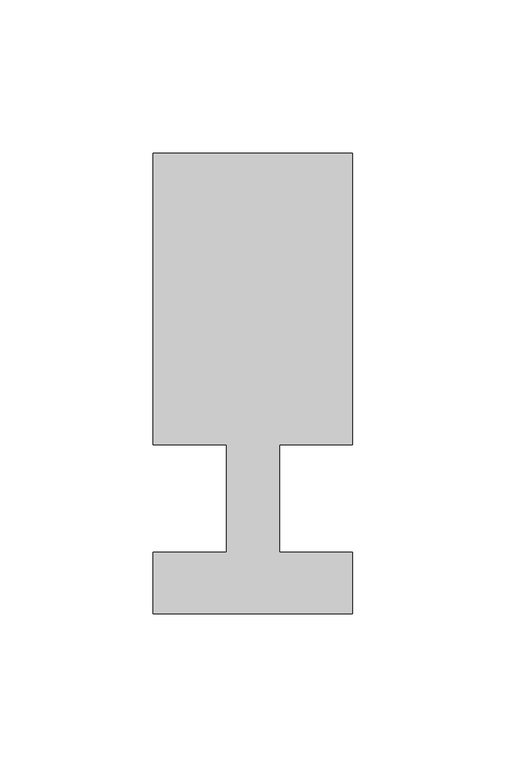
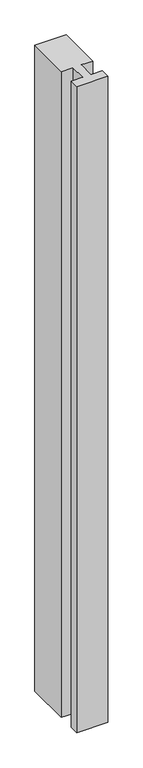
"""IFC4 building model written with IfcOpenShell, lengths in millimetres: member geometry."""

from ifc_helpers import new_model, si_unit, frame, origin, place, context, project, spatial, polyline, outline, extrude, source, transform, mapped, element, save


def member_4363dc0a(model_context):
    return source(origin(), model_context, "Body", "SweptSolid", [
        extrude(outline(polyline([(-65.0, -37.0), (-65.0, -17.0), (-41.1875, -17.0), (-41.1875, 18.0), (-65.0, 18.0), (-65.0, 113.0), (0.0, 113.0), (0.0, 18.0), (-23.8125, 18.0), (-23.8125, -17.0), (0.0, -17.0), (0.0, -37.0), (-65.0, -37.0)])), frame((0.0, 0.0, -1418.7435565), z_axis=(0.0, 0.0, 1.0), x_axis=(1.0, 0.0, 0.0)), (0.0, 0.0, 1.0), 1418.7435565),
    ])


if __name__ == "__main__":
    model = new_model("IFC4")
    model_context = context("Model", 3, world=origin())
    ifc_project = project(units=[si_unit("LENGTHUNIT", "METRE", prefix="MILLI")], contexts=[model_context])
    site = spatial("IfcSite", under=ifc_project)
    building = spatial("IfcBuilding", under=site)
    placement = place(None, origin())
    member_shape = member_4363dc0a(model_context)
    element("IfcMember", 1, at=placement, inside=building, context=model_context, shape_type="MappedRepresentation", body=[
        mapped(member_shape, transform((0.0, 0.0, 0.0), x_axis=(1.0, 0.0, 0.0), y_axis=(0.0, 1.0, 0.0), z_axis=(0.0, 0.0, 1.0))),
    ])
    save(model, "model.ifc")
